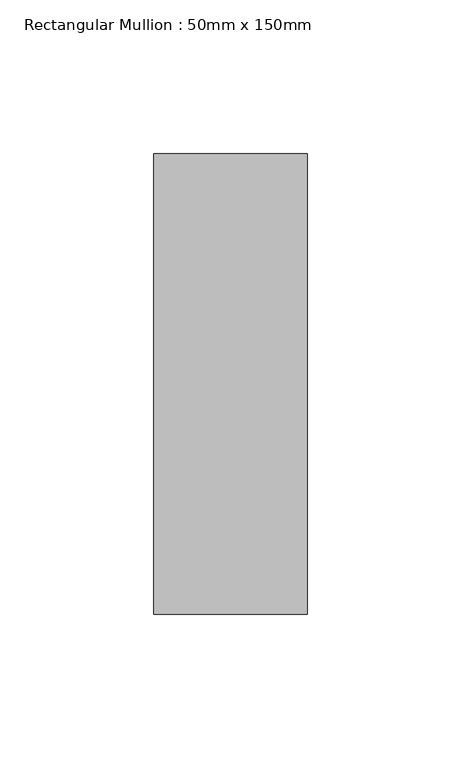
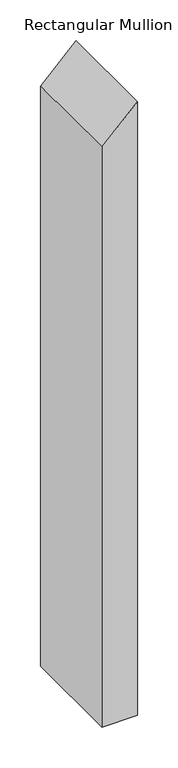
"""IFC4 building model written with IfcOpenShell, lengths in millimetres: member geometry, Rectangular Mullion : 50mm x 150mm."""

import ifcopenshell
import ifcopenshell.guid

model = None  # the IFC model being written
_history = None  # IfcOwnerHistory: only IFC2X3 demands one
_inside = {}  # id of a spatial element -> (the spatial element, [elements in it])
_under = {}  # id of a project, library or spatial element -> (it, [spatial elements below it])
_declared = {}  # id of a project -> (the project, [libraries it declares])
_typed = {}  # id of a type object -> (the type object, [elements of that type])
_made_of = {}  # id of a material, layer set ... -> (it, [elements and type objects made of it])


def new_model(schema):
    """Start an empty IFC model of exactly this schema.

    Asked for "IFC4X3", IfcOpenShell would pick the latest addendum, in which some entities
    have other attributes; the version numbers below select the first issue.
    IFC2X3 requires an IfcOwnerHistory on every rooted entity: one is made here for all.
    """
    global model, _history
    if schema == "IFC4X3":
        model = ifcopenshell.file(schema_version=(4, 3, 0, 0))
    else:
        model = ifcopenshell.file(schema=schema)
    _inside.clear()
    _under.clear()
    _declared.clear()
    _typed.clear()
    _made_of.clear()
    _history = None
    if model.schema == "IFC2X3":
        org = make("IfcOrganization", Name="unknown")
        user = make(
            "IfcPersonAndOrganization",
            ThePerson=make("IfcPerson", FamilyName="unknown"),
            TheOrganization=org,
        )
        app = make(
            "IfcApplication",
            ApplicationDeveloper=org,
            Version="unknown",
            ApplicationFullName="unknown",
            ApplicationIdentifier="unknown",
        )
        _history = make(
            "IfcOwnerHistory",
            OwningUser=user,
            OwningApplication=app,
            ChangeAction="ADDED",
            CreationDate=0,
        )
    return model


def make(cls, **values):
    """One entity of the class cls with the attributes given. An attribute that is None is left unset."""
    return model.create_entity(
        cls, **{name: value for name, value in values.items() if value is not None}
    )


def rooted(cls, **values):
    """An entity with a GlobalId (a new one), such as an element, a storey or a relation."""
    return make(cls, GlobalId=ifcopenshell.guid.new(), OwnerHistory=_history, **values)


def si_unit(unit_type, name, prefix=None):
    """IfcSIUnit, for example si_unit("LENGTHUNIT", "METRE", prefix="MILLI")."""
    return make("IfcSIUnit", UnitType=unit_type, Prefix=prefix, Name=name)


def assignment(units):
    """IfcUnitAssignment: the units of a project."""
    return None if units is None else make("IfcUnitAssignment", Units=units)


def point(xyz):
    """IfcCartesianPoint."""
    return None if xyz is None else make("IfcCartesianPoint", Coordinates=xyz)


def direction(xyz):
    """IfcDirection."""
    return None if xyz is None else make("IfcDirection", DirectionRatios=xyz)


def frame(location, z_axis=None, x_axis=None):
    """IfcAxis2Placement3D, a coordinate frame: its origin and axes. An axis left out is left unset."""
    return make(
        "IfcAxis2Placement3D",
        Location=point(location),
        Axis=direction(z_axis),
        RefDirection=direction(x_axis),
    )


def origin():
    """The frame at (0, 0, 0) with its axes left unset."""
    return frame((0.0, 0.0, 0.0))


def place(relative_to, where):
    """IfcLocalPlacement: puts the frame where relative to a parent placement (None: the world)."""
    return make(
        "IfcLocalPlacement", PlacementRelTo=relative_to, RelativePlacement=where
    )


def context(
    kind, dimensions, precision=None, world=None, true_north=None, identifier=None
):
    """IfcGeometricRepresentationContext, for example the 3D "Model" context."""
    return make(
        "IfcGeometricRepresentationContext",
        ContextIdentifier=identifier,
        ContextType=kind,
        CoordinateSpaceDimension=dimensions,
        Precision=precision,
        WorldCoordinateSystem=world,
        TrueNorth=true_north,
    )


def project(units=None, contexts=None):
    """IfcProject with its units and contexts."""
    return rooted(
        "IfcProject",
        Name="project",
        RepresentationContexts=contexts,
        UnitsInContext=assignment(units),
    )


def spatial(cls, under=None, at=None, **own):
    """A site, building, storey or space (cls), placed at a placement, below another one or the project."""
    s = rooted(cls, ObjectPlacement=at, **own)
    if under is not None:
        _under.setdefault(under.id(), (under, []))[1].append(s)
    return s


def polyline(points):
    """IfcPolyline through the points."""
    return make("IfcPolyline", Points=[point(p) for p in points])


def outline(outer, holes=None, kind="AREA"):
    """IfcArbitraryClosedProfileDef: a profile drawn as a closed curve; with holes, ...WithVoids."""
    if holes is None:
        return make("IfcArbitraryClosedProfileDef", ProfileType=kind, OuterCurve=outer)
    return make(
        "IfcArbitraryProfileDefWithVoids",
        ProfileType=kind,
        OuterCurve=outer,
        InnerCurves=holes,
    )


def extrude(swept, where, along, depth):
    """IfcExtrudedAreaSolid: the profile swept, set in the frame where, extruded along a direction by depth."""
    return make(
        "IfcExtrudedAreaSolid",
        SweptArea=swept,
        Position=where,
        ExtrudedDirection=direction(along),
        Depth=depth,
    )


def shape(context_of_items, identifier, shape_type, items):
    """IfcShapeRepresentation: the items that make up one representation, for example the "Body"."""
    return make(
        "IfcShapeRepresentation",
        ContextOfItems=context_of_items,
        RepresentationIdentifier=identifier,
        RepresentationType=shape_type,
        Items=items,
    )


def source(mapping_origin, context_of_items, identifier, shape_type, items):
    """IfcRepresentationMap: a shape defined once, which mapped items show again and again."""
    return make(
        "IfcRepresentationMap",
        MappingOrigin=mapping_origin,
        MappedRepresentation=shape(context_of_items, identifier, shape_type, items),
    )


def transform(
    local_origin,
    x_axis=None,
    y_axis=None,
    z_axis=None,
    scale=None,
    scale2=None,
    scale3=None,
    uniform=True,
):
    """IfcCartesianTransformationOperator3D, or its non-uniform kind. x_axis, y_axis, z_axis: its Axis1, 2, 3."""
    if uniform:
        return make(
            "IfcCartesianTransformationOperator3D",
            Axis1=direction(x_axis),
            Axis2=direction(y_axis),
            LocalOrigin=point(local_origin),
            Scale=scale,
            Axis3=direction(z_axis),
        )
    return make(
        "IfcCartesianTransformationOperator3DnonUniform",
        Axis1=direction(x_axis),
        Axis2=direction(y_axis),
        LocalOrigin=point(local_origin),
        Scale=scale,
        Axis3=direction(z_axis),
        Scale2=scale2,
        Scale3=scale3,
    )


def mapped(mapping_source, mapping_target):
    """IfcMappedItem: shows the shape of a source again, moved by a transform."""
    return make(
        "IfcMappedItem", MappingSource=mapping_source, MappingTarget=mapping_target
    )


def made_of(thing, what):
    """Note that an element or type object is made of a material, layer set ...; save() writes the relation."""
    if what is not None:
        _made_of.setdefault(what.id(), (what, []))[1].append(thing)
    return thing


def element(
    cls,
    number,
    at=None,
    inside=None,
    cuts=None,
    type_object=None,
    material=None,
    context=None,
    identifier="Body",
    shape_type=None,
    held_by="IfcProductDefinitionShape",
    body=None,
    shapes=None,
    **own,
):
    """One element of the class cls, such as IfcWall. Its Tag is "e" and its number.

    at: its placement. inside: the storey or other place that contains it. cuts: it is an
    opening in that element (IfcRelVoidsElement). A single representation is given by context,
    identifier, shape_type and body (its items); several are given by shapes. held_by: the class
    of the entity that holds the representations. save() writes the other relations.
    """
    e = rooted(cls, Tag="e%d" % number, ObjectPlacement=at, **own)
    if body is not None:
        shapes = [shape(context, identifier, shape_type, body)]
    if shapes is not None:
        e.Representation = make(held_by, Representations=shapes)
    if inside is not None:
        _inside.setdefault(inside.id(), (inside, []))[1].append(e)
    if cuts is not None:
        rooted(
            "IfcRelVoidsElement", RelatingBuildingElement=cuts, RelatedOpeningElement=e
        )
    if type_object is not None:
        _typed.setdefault(type_object.id(), (type_object, []))[1].append(e)
    return made_of(e, material)


def aggregate(whole, parts):
    """IfcRelAggregates: a whole, such as a stair, and the parts it consists of."""
    return rooted("IfcRelAggregates", RelatingObject=whole, RelatedObjects=parts)


def save(model, path):
    """Write the relations noted so far, then the file.

    IfcRelAggregates (storeys below a building ...), IfcRelContainedInSpatialStructure (elements
    in a storey), IfcRelDefinesByType, IfcRelAssociatesMaterial and IfcRelDeclares: one each for
    every whole, place, type object, material and project.
    """
    for whole, parts in _under.values():
        aggregate(whole, parts)
    for where, things in _inside.values():
        rooted(
            "IfcRelContainedInSpatialStructure",
            RelatedElements=things,
            RelatingStructure=where,
        )
    for kind, things in _typed.values():
        rooted("IfcRelDefinesByType", RelatedObjects=things, RelatingType=kind)
    for what, things in _made_of.values():
        rooted("IfcRelAssociatesMaterial", RelatedObjects=things, RelatingMaterial=what)
    for by, libraries in _declared.values():
        rooted("IfcRelDeclares", RelatingContext=by, RelatedDefinitions=libraries)
    model.write(path)


def rectangular_mullion_50mm_x_150mm_a2eb5384(model_context):
    return source(origin(), model_context, "Body", "SweptSolid", [
        extrude(outline(polyline([(0.0, 0.0), (-50.0, -50.0), (-916.5819086, -50.0), (-916.5819086, 0.0), (0.0, 0.0)])), frame((0.0, -75.0, 0.0), z_axis=(0.0, 1.0, 0.0), x_axis=(0.0, 0.0, 1.0)), (0.0, 0.0, 1.0), 150.0),
    ])


if __name__ == "__main__":
    model = new_model("IFC4")
    model_context = context("Model", 3, world=origin())
    ifc_project = project(units=[si_unit("LENGTHUNIT", "METRE", prefix="MILLI")], contexts=[model_context])
    site = spatial("IfcSite", under=ifc_project)
    building = spatial("IfcBuilding", under=site)
    placement = place(None, origin())
    rectangular_mullion_50mm_x_150mm_shape = rectangular_mullion_50mm_x_150mm_a2eb5384(model_context)
    element("IfcMember", 1, ObjectType="Rectangular Mullion : 50mm x 150mm", at=placement, inside=building, context=model_context, shape_type="MappedRepresentation", body=[
        mapped(rectangular_mullion_50mm_x_150mm_shape, transform((0.0, 0.0, 0.0), x_axis=(1.0, 0.0, 0.0), y_axis=(0.0, 1.0, 0.0), z_axis=(0.0, 0.0, 1.0))),
    ])
    save(model, "model.ifc")
